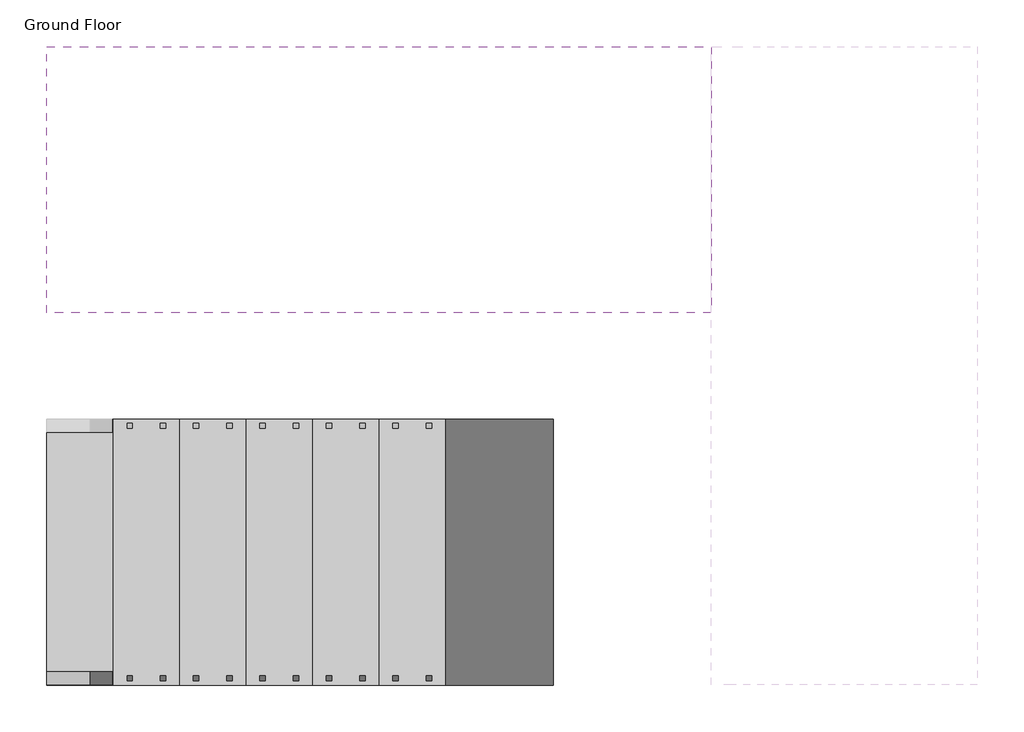
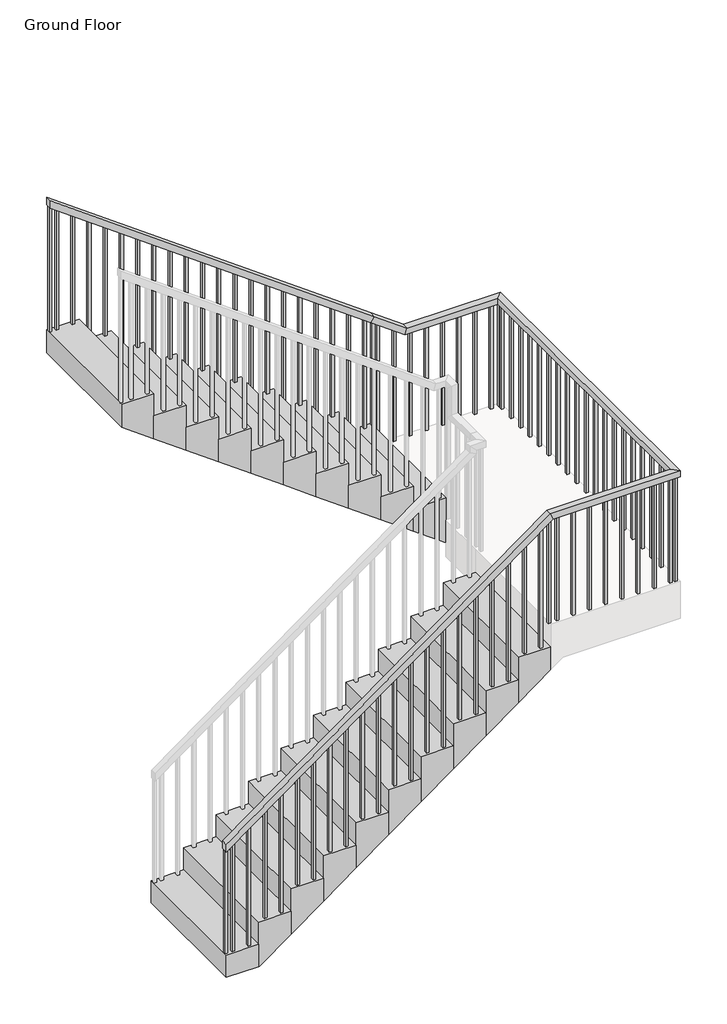
# One storey, part 1 of 2: 2 stair flights, 1 railing.
"""IFC4 building model written with IfcOpenShell, lengths in millimetres."""

import ifcopenshell
import ifcopenshell.guid

model = None  # the IFC model being written
_history = None  # IfcOwnerHistory: only IFC2X3 demands one
_inside = {}  # id of a spatial element -> (the spatial element, [elements in it])
_under = {}  # id of a project, library or spatial element -> (it, [spatial elements below it])
_declared = {}  # id of a project -> (the project, [libraries it declares])
_typed = {}  # id of a type object -> (the type object, [elements of that type])
_made_of = {}  # id of a material, layer set ... -> (it, [elements and type objects made of it])


def new_model(schema):
    """Start an empty IFC model of exactly this schema.

    Asked for "IFC4X3", IfcOpenShell would pick the latest addendum, in which some entities
    have other attributes; the version numbers below select the first issue.
    IFC2X3 requires an IfcOwnerHistory on every rooted entity: one is made here for all.
    """
    global model, _history
    if schema == "IFC4X3":
        model = ifcopenshell.file(schema_version=(4, 3, 0, 0))
    else:
        model = ifcopenshell.file(schema=schema)
    _inside.clear()
    _under.clear()
    _declared.clear()
    _typed.clear()
    _made_of.clear()
    _history = None
    if model.schema == "IFC2X3":
        org = make("IfcOrganization", Name="unknown")
        user = make(
            "IfcPersonAndOrganization",
            ThePerson=make("IfcPerson", FamilyName="unknown"),
            TheOrganization=org,
        )
        app = make(
            "IfcApplication",
            ApplicationDeveloper=org,
            Version="unknown",
            ApplicationFullName="unknown",
            ApplicationIdentifier="unknown",
        )
        _history = make(
            "IfcOwnerHistory",
            OwningUser=user,
            OwningApplication=app,
            ChangeAction="ADDED",
            CreationDate=0,
        )
    return model


def make(cls, **values):
    """One entity of the class cls with the attributes given. An attribute that is None is left unset."""
    return model.create_entity(
        cls, **{name: value for name, value in values.items() if value is not None}
    )


def rooted(cls, **values):
    """An entity with a GlobalId (a new one), such as an element, a storey or a relation."""
    return make(cls, GlobalId=ifcopenshell.guid.new(), OwnerHistory=_history, **values)


def si_unit(unit_type, name, prefix=None):
    """IfcSIUnit, for example si_unit("LENGTHUNIT", "METRE", prefix="MILLI")."""
    return make("IfcSIUnit", UnitType=unit_type, Prefix=prefix, Name=name)


def assignment(units):
    """IfcUnitAssignment: the units of a project."""
    return None if units is None else make("IfcUnitAssignment", Units=units)


def point(xyz):
    """IfcCartesianPoint."""
    return None if xyz is None else make("IfcCartesianPoint", Coordinates=xyz)


def direction(xyz):
    """IfcDirection."""
    return None if xyz is None else make("IfcDirection", DirectionRatios=xyz)


def frame(location, z_axis=None, x_axis=None):
    """IfcAxis2Placement3D, a coordinate frame: its origin and axes. An axis left out is left unset."""
    return make(
        "IfcAxis2Placement3D",
        Location=point(location),
        Axis=direction(z_axis),
        RefDirection=direction(x_axis),
    )


def origin():
    """The frame at (0, 0, 0) with its axes left unset."""
    return frame((0.0, 0.0, 0.0))


def place(relative_to, where):
    """IfcLocalPlacement: puts the frame where relative to a parent placement (None: the world)."""
    return make(
        "IfcLocalPlacement", PlacementRelTo=relative_to, RelativePlacement=where
    )


def context(
    kind, dimensions, precision=None, world=None, true_north=None, identifier=None
):
    """IfcGeometricRepresentationContext, for example the 3D "Model" context."""
    return make(
        "IfcGeometricRepresentationContext",
        ContextIdentifier=identifier,
        ContextType=kind,
        CoordinateSpaceDimension=dimensions,
        Precision=precision,
        WorldCoordinateSystem=world,
        TrueNorth=true_north,
    )


def project(units=None, contexts=None):
    """IfcProject with its units and contexts."""
    return rooted(
        "IfcProject",
        Name="project",
        RepresentationContexts=contexts,
        UnitsInContext=assignment(units),
    )


def spatial(cls, under=None, at=None, **own):
    """A site, building, storey or space (cls), placed at a placement, below another one or the project."""
    s = rooted(cls, ObjectPlacement=at, **own)
    if under is not None:
        _under.setdefault(under.id(), (under, []))[1].append(s)
    return s


def polyline(points):
    """IfcPolyline through the points."""
    return make("IfcPolyline", Points=[point(p) for p in points])


def outline(outer, holes=None, kind="AREA"):
    """IfcArbitraryClosedProfileDef: a profile drawn as a closed curve; with holes, ...WithVoids."""
    if holes is None:
        return make("IfcArbitraryClosedProfileDef", ProfileType=kind, OuterCurve=outer)
    return make(
        "IfcArbitraryProfileDefWithVoids",
        ProfileType=kind,
        OuterCurve=outer,
        InnerCurves=holes,
    )


def extrude(swept, where, along, depth):
    """IfcExtrudedAreaSolid: the profile swept, set in the frame where, extruded along a direction by depth."""
    return make(
        "IfcExtrudedAreaSolid",
        SweptArea=swept,
        Position=where,
        ExtrudedDirection=direction(along),
        Depth=depth,
    )


def faces_of(points, faces, orient=None, outer=None):
    """IfcFace entities. A face is a list of loops; a loop is a list of indices into points, from 0.

    orient and outer hold one flag for each loop. By default every Orientation is true, the
    first loop of a face is its IfcFaceOuterBound and the others are IfcFaceBound.
    """
    made = []
    for i, loops in enumerate(faces):
        bounds = []
        for j, loop in enumerate(loops):
            is_outer = j == 0 if outer is None else outer[i][j]
            bounds.append(
                make(
                    "IfcFaceOuterBound" if is_outer else "IfcFaceBound",
                    Bound=make("IfcPolyLoop", Polygon=[points[k] for k in loop]),
                    Orientation=True if orient is None else orient[i][j],
                )
            )
        made.append(make("IfcFace", Bounds=bounds))
    return made


def faceted_brep(points, faces, orient=None, outer=None, voids=None):
    """IfcFacetedBrep: a solid bounded by flat faces; with voids (closed shells), ...WithVoids."""
    shared = [point(p) for p in points]
    hull = make("IfcClosedShell", CfsFaces=faces_of(shared, faces, orient, outer))
    if voids is None:
        return make("IfcFacetedBrep", Outer=hull)
    return make(
        "IfcFacetedBrepWithVoids",
        Outer=hull,
        Voids=[
            make(cls, CfsFaces=faces_of(shared, fs, o, b)) for cls, fs, o, b in voids
        ],
    )


def shape(context_of_items, identifier, shape_type, items):
    """IfcShapeRepresentation: the items that make up one representation, for example the "Body"."""
    return make(
        "IfcShapeRepresentation",
        ContextOfItems=context_of_items,
        RepresentationIdentifier=identifier,
        RepresentationType=shape_type,
        Items=items,
    )


def made_of(thing, what):
    """Note that an element or type object is made of a material, layer set ...; save() writes the relation."""
    if what is not None:
        _made_of.setdefault(what.id(), (what, []))[1].append(thing)
    return thing


def element(
    cls,
    number,
    at=None,
    inside=None,
    cuts=None,
    type_object=None,
    material=None,
    context=None,
    identifier="Body",
    shape_type=None,
    held_by="IfcProductDefinitionShape",
    body=None,
    shapes=None,
    **own,
):
    """One element of the class cls, such as IfcWall. Its Tag is "e" and its number.

    at: its placement. inside: the storey or other place that contains it. cuts: it is an
    opening in that element (IfcRelVoidsElement). A single representation is given by context,
    identifier, shape_type and body (its items); several are given by shapes. held_by: the class
    of the entity that holds the representations. save() writes the other relations.
    """
    e = rooted(cls, Tag="e%d" % number, ObjectPlacement=at, **own)
    if body is not None:
        shapes = [shape(context, identifier, shape_type, body)]
    if shapes is not None:
        e.Representation = make(held_by, Representations=shapes)
    if inside is not None:
        _inside.setdefault(inside.id(), (inside, []))[1].append(e)
    if cuts is not None:
        rooted(
            "IfcRelVoidsElement", RelatingBuildingElement=cuts, RelatedOpeningElement=e
        )
    if type_object is not None:
        _typed.setdefault(type_object.id(), (type_object, []))[1].append(e)
    return made_of(e, material)


def aggregate(whole, parts):
    """IfcRelAggregates: a whole, such as a stair, and the parts it consists of."""
    return rooted("IfcRelAggregates", RelatingObject=whole, RelatedObjects=parts)


def save(model, path):
    """Write the relations noted so far, then the file.

    IfcRelAggregates (storeys below a building ...), IfcRelContainedInSpatialStructure (elements
    in a storey), IfcRelDefinesByType, IfcRelAssociatesMaterial and IfcRelDeclares: one each for
    every whole, place, type object, material and project.
    """
    for whole, parts in _under.values():
        aggregate(whole, parts)
    for where, things in _inside.values():
        rooted(
            "IfcRelContainedInSpatialStructure",
            RelatedElements=things,
            RelatingStructure=where,
        )
    for kind, things in _typed.values():
        rooted("IfcRelDefinesByType", RelatedObjects=things, RelatingType=kind)
    for what, things in _made_of.values():
        rooted("IfcRelAssociatesMaterial", RelatedObjects=things, RelatingMaterial=what)
    for by, libraries in _declared.values():
        rooted("IfcRelDeclares", RelatingContext=by, RelatedDefinitions=libraries)
    model.write(path)


model = new_model("IFC4")

# Units and contexts
model_context = context("Model", 3, world=origin())
ifc_project = project(units=[si_unit("LENGTHUNIT", "METRE", prefix="MILLI")], contexts=[model_context])

# Site, building, storey
site = spatial("IfcSite", under=ifc_project)
building = spatial("IfcBuilding", under=site)
storey = spatial("IfcBuildingStorey", under=building, Name="Ground Floor", Elevation=0.0)

# Railing
placement = place(None, origin())
element("IfcRailing", 1, ObjectType="900mm", at=placement, inside=storey, context=model_context, shape_type="SolidModel", body=[
    faceted_brep([(-5015.7705713, 1934.7919433, 1081.8181818), (-5015.7705713, 1934.7919433, 1019.9933159), (-5015.7705713, 1884.7919433, 1019.9933159), (-5015.7705713, 1884.7919433, 1081.8181818), (-2515.7705713, 1934.7919433, 2900.0), (-2499.5113806, 1934.7919433, 2850.0), (-2499.5113806, 1884.7919433, 2850.0), (-2515.7705713, 1884.7919433, 2900.0), (-1566.1705713, 1934.7919433, 2900.0), (-1566.1705713, 1934.7919433, 2850.0), (-1516.1705713, 1884.7919433, 2850.0), (-1516.1705713, 1884.7919433, 2900.0), (-1566.1705713, 4233.9919433, 2900.0), (-1566.1705713, 4233.9919433, 2850.0), (-1516.1705713, 4283.9919433, 2850.0), (-1516.1705713, 4283.9919433, 2900.0), (-2265.7705713, 4233.9919433, 2900.0), (-2282.029762, 4233.9919433, 2850.0), (-2282.029762, 4283.9919433, 2850.0), (-2265.7705713, 4283.9919433, 2900.0), (-2515.7705713, 4233.9919433, 3081.8181818), (-2545.1791562, 4233.9919433, 3041.3813776), (-2545.1791562, 4283.9919433, 3041.3813776), (-2515.7705713, 4283.9919433, 3081.8181818), (-5015.7705713, 4233.9919433, 4900.0), (-5015.7705713, 4283.9919433, 4900.0), (-5015.7705713, 4283.9919433, 4838.1751341), (-5015.7705713, 4233.9919433, 4838.1751341)], [[[0, 1, 2, 3]], [[1, 0, 4, 5]], [[2, 1, 5, 6]], [[3, 2, 6, 7]], [[0, 3, 7, 4]], [[5, 4, 8, 9]], [[6, 5, 9, 10]], [[7, 6, 10, 11]], [[4, 7, 11, 8]], [[9, 8, 12, 13]], [[10, 9, 13, 14]], [[11, 10, 14, 15]], [[8, 11, 15, 12]], [[13, 12, 16, 17]], [[14, 13, 17, 18]], [[15, 14, 18, 19]], [[12, 15, 19, 16]], [[17, 16, 20, 21]], [[18, 17, 21, 22]], [[19, 18, 22, 23]], [[16, 19, 23, 20]], [[24, 25, 26, 27]], [[21, 20, 24, 27]], [[22, 21, 27, 26]], [[23, 22, 26, 25]], [[20, 23, 25, 24]]]),
    extrude(outline(polyline([(3818.1818182, -4943.2705713), (4785.4478613, -4943.2705713), (4799.9933159, -4963.2705713), (3818.1818182, -4963.2705713), (3818.1818182, -4943.2705713)])), frame((0.0, 4248.9919433, 0.0), z_axis=(0.0, 1.0, 0.0), x_axis=(0.0, 0.0, 1.0)), (0.0, 0.0, 1.0), 20.0),
    extrude(outline(polyline([(3818.1818182, -4818.2705713), (4694.5387704, -4818.2705713), (4709.084225, -4838.2705713), (3818.1818182, -4838.2705713), (3818.1818182, -4818.2705713)])), frame((0.0, 4248.9919433, 0.0), z_axis=(0.0, 1.0, 0.0), x_axis=(0.0, 0.0, 1.0)), (0.0, 0.0, 1.0), 20.0),
    extrude(outline(polyline([(3636.3636364, -4693.2705713), (4603.6296795, -4693.2705713), (4618.1751341, -4713.2705713), (3636.3636364, -4713.2705713), (3636.3636364, -4693.2705713)])), frame((0.0, 4248.9919433, 0.0), z_axis=(0.0, 1.0, 0.0), x_axis=(0.0, 0.0, 1.0)), (0.0, 0.0, 1.0), 20.0),
    extrude(outline(polyline([(3636.3636364, -4568.2705713), (4512.7205886, -4568.2705713), (4527.2660431, -4588.2705713), (3636.3636364, -4588.2705713), (3636.3636364, -4568.2705713)])), frame((0.0, 4248.9919433, 0.0), z_axis=(0.0, 1.0, 0.0), x_axis=(0.0, 0.0, 1.0)), (0.0, 0.0, 1.0), 20.0),
    extrude(outline(polyline([(3454.5454545, -4443.2705713), (4421.8114977, -4443.2705713), (4436.3569522, -4463.2705713), (3454.5454545, -4463.2705713), (3454.5454545, -4443.2705713)])), frame((0.0, 4248.9919433, 0.0), z_axis=(0.0, 1.0, 0.0), x_axis=(0.0, 0.0, 1.0)), (0.0, 0.0, 1.0), 20.0),
    extrude(outline(polyline([(3454.5454545, -4318.2705713), (4330.9024068, -4318.2705713), (4345.4478613, -4338.2705713), (3454.5454545, -4338.2705713), (3454.5454545, -4318.2705713)])), frame((0.0, 4248.9919433, 0.0), z_axis=(0.0, 1.0, 0.0), x_axis=(0.0, 0.0, 1.0)), (0.0, 0.0, 1.0), 20.0),
    extrude(outline(polyline([(3272.7272727, -4193.2705713), (4239.9933159, -4193.2705713), (4254.5387704, -4213.2705713), (3272.7272727, -4213.2705713), (3272.7272727, -4193.2705713)])), frame((0.0, 4248.9919433, 0.0), z_axis=(0.0, 1.0, 0.0), x_axis=(0.0, 0.0, 1.0)), (0.0, 0.0, 1.0), 20.0),
    extrude(outline(polyline([(3272.7272727, -4068.2705713), (4149.084225, -4068.2705713), (4163.6296795, -4088.2705713), (3272.7272727, -4088.2705713), (3272.7272727, -4068.2705713)])), frame((0.0, 4248.9919433, 0.0), z_axis=(0.0, 1.0, 0.0), x_axis=(0.0, 0.0, 1.0)), (0.0, 0.0, 1.0), 20.0),
    extrude(outline(polyline([(3090.9090909, -3943.2705713), (4058.1751341, -3943.2705713), (4072.7205886, -3963.2705713), (3090.9090909, -3963.2705713), (3090.9090909, -3943.2705713)])), frame((0.0, 4248.9919433, 0.0), z_axis=(0.0, 1.0, 0.0), x_axis=(0.0, 0.0, 1.0)), (0.0, 0.0, 1.0), 20.0),
    extrude(outline(polyline([(3090.9090909, -3818.2705713), (3967.2660431, -3818.2705713), (3981.8114977, -3838.2705713), (3090.9090909, -3838.2705713), (3090.9090909, -3818.2705713)])), frame((0.0, 4248.9919433, 0.0), z_axis=(0.0, 1.0, 0.0), x_axis=(0.0, 0.0, 1.0)), (0.0, 0.0, 1.0), 20.0),
    extrude(outline(polyline([(2909.0909091, -3693.2705713), (3876.3569522, -3693.2705713), (3890.9024068, -3713.2705713), (2909.0909091, -3713.2705713), (2909.0909091, -3693.2705713)])), frame((0.0, 4248.9919433, 0.0), z_axis=(0.0, 1.0, 0.0), x_axis=(0.0, 0.0, 1.0)), (0.0, 0.0, 1.0), 20.0),
    extrude(outline(polyline([(2909.0909091, -3568.2705713), (3785.4478613, -3568.2705713), (3799.9933159, -3588.2705713), (2909.0909091, -3588.2705713), (2909.0909091, -3568.2705713)])), frame((0.0, 4248.9919433, 0.0), z_axis=(0.0, 1.0, 0.0), x_axis=(0.0, 0.0, 1.0)), (0.0, 0.0, 1.0), 20.0),
    extrude(outline(polyline([(2727.2727273, -3443.2705713), (3694.5387704, -3443.2705713), (3709.084225, -3463.2705713), (2727.2727273, -3463.2705713), (2727.2727273, -3443.2705713)])), frame((0.0, 4248.9919433, 0.0), z_axis=(0.0, 1.0, 0.0), x_axis=(0.0, 0.0, 1.0)), (0.0, 0.0, 1.0), 20.0),
    extrude(outline(polyline([(2727.2727273, -3318.2705713), (3603.6296795, -3318.2705713), (3618.1751341, -3338.2705713), (2727.2727273, -3338.2705713), (2727.2727273, -3318.2705713)])), frame((0.0, 4248.9919433, 0.0), z_axis=(0.0, 1.0, 0.0), x_axis=(0.0, 0.0, 1.0)), (0.0, 0.0, 1.0), 20.0),
    extrude(outline(polyline([(2545.4545455, -3193.2705713), (3512.7205886, -3193.2705713), (3527.2660431, -3213.2705713), (2545.4545455, -3213.2705713), (2545.4545455, -3193.2705713)])), frame((0.0, 4248.9919433, 0.0), z_axis=(0.0, 1.0, 0.0), x_axis=(0.0, 0.0, 1.0)), (0.0, 0.0, 1.0), 20.0),
    extrude(outline(polyline([(2545.4545455, -3068.2705713), (3421.8114977, -3068.2705713), (3436.3569522, -3088.2705713), (2545.4545455, -3088.2705713), (2545.4545455, -3068.2705713)])), frame((0.0, 4248.9919433, 0.0), z_axis=(0.0, 1.0, 0.0), x_axis=(0.0, 0.0, 1.0)), (0.0, 0.0, 1.0), 20.0),
    extrude(outline(polyline([(2363.6363636, -2943.2705713), (3330.9024068, -2943.2705713), (3345.4478613, -2963.2705713), (2363.6363636, -2963.2705713), (2363.6363636, -2943.2705713)])), frame((0.0, 4248.9919433, 0.0), z_axis=(0.0, 1.0, 0.0), x_axis=(0.0, 0.0, 1.0)), (0.0, 0.0, 1.0), 20.0),
    extrude(outline(polyline([(2363.6363636, -2818.2705713), (3239.9933159, -2818.2705713), (3254.5387704, -2838.2705713), (2363.6363636, -2838.2705713), (2363.6363636, -2818.2705713)])), frame((0.0, 4248.9919433, 0.0), z_axis=(0.0, 1.0, 0.0), x_axis=(0.0, 0.0, 1.0)), (0.0, 0.0, 1.0), 20.0),
    extrude(outline(polyline([(2181.8181818, -2693.2705713), (3149.084225, -2693.2705713), (3163.6296795, -2713.2705713), (2181.8181818, -2713.2705713), (2181.8181818, -2693.2705713)])), frame((0.0, 4248.9919433, 0.0), z_axis=(0.0, 1.0, 0.0), x_axis=(0.0, 0.0, 1.0)), (0.0, 0.0, 1.0), 20.0),
    extrude(outline(polyline([(2181.8181818, -2568.2705713), (3058.1751341, -2568.2705713), (3072.7205886, -2588.2705713), (2181.8181818, -2588.2705713), (2181.8181818, -2568.2705713)])), frame((0.0, 4248.9919433, 0.0), z_axis=(0.0, 1.0, 0.0), x_axis=(0.0, 0.0, 1.0)), (0.0, 0.0, 1.0), 20.0),
    extrude(outline(polyline([(2000.0, -2468.6705713), (2985.7387704, -2468.6705713), (3000.284225, -2488.6705713), (2000.0, -2488.6705713), (2000.0, -2468.6705713)])), frame((0.0, 4248.9919433, 0.0), z_axis=(0.0, 1.0, 0.0), x_axis=(0.0, 0.0, 1.0)), (0.0, 0.0, 1.0), 20.0),
    extrude(outline(polyline([(2000.0, -2343.6705713), (2894.8296795, -2343.6705713), (2909.3751341, -2363.6705713), (2000.0, -2363.6705713), (2000.0, -2343.6705713)])), frame((0.0, 4248.9919433, 0.0), z_axis=(0.0, 1.0, 0.0), x_axis=(0.0, 0.0, 1.0)), (0.0, 0.0, 1.0), 20.0),
    extrude(outline(polyline([(-2218.6705713, 4268.9919433), (-2218.6705713, 4248.9919433), (-2238.6705713, 4248.9919433), (-2238.6705713, 4268.9919433), (-2218.6705713, 4268.9919433)])), frame((0.0, 0.0, 2000.0), z_axis=(0.0, 0.0, 1.0), x_axis=(1.0, 0.0, 0.0)), (0.0, 0.0, 1.0), 850.0),
    extrude(outline(polyline([(-2093.6705713, 4268.9919433), (-2093.6705713, 4248.9919433), (-2113.6705713, 4248.9919433), (-2113.6705713, 4268.9919433), (-2093.6705713, 4268.9919433)])), frame((0.0, 0.0, 2000.0), z_axis=(0.0, 0.0, 1.0), x_axis=(1.0, 0.0, 0.0)), (0.0, 0.0, 1.0), 850.0),
    extrude(outline(polyline([(-1968.6705713, 4268.9919433), (-1968.6705713, 4248.9919433), (-1988.6705713, 4248.9919433), (-1988.6705713, 4268.9919433), (-1968.6705713, 4268.9919433)])), frame((0.0, 0.0, 2000.0), z_axis=(0.0, 0.0, 1.0), x_axis=(1.0, 0.0, 0.0)), (0.0, 0.0, 1.0), 850.0),
    extrude(outline(polyline([(-1843.6705713, 4268.9919433), (-1843.6705713, 4248.9919433), (-1863.6705713, 4248.9919433), (-1863.6705713, 4268.9919433), (-1843.6705713, 4268.9919433)])), frame((0.0, 0.0, 2000.0), z_axis=(0.0, 0.0, 1.0), x_axis=(1.0, 0.0, 0.0)), (0.0, 0.0, 1.0), 850.0),
    extrude(outline(polyline([(-1718.6705713, 4268.9919433), (-1718.6705713, 4248.9919433), (-1738.6705713, 4248.9919433), (-1738.6705713, 4268.9919433), (-1718.6705713, 4268.9919433)])), frame((0.0, 0.0, 2000.0), z_axis=(0.0, 0.0, 1.0), x_axis=(1.0, 0.0, 0.0)), (0.0, 0.0, 1.0), 850.0),
    extrude(outline(polyline([(-1593.6705713, 4268.9919433), (-1593.6705713, 4248.9919433), (-1613.6705713, 4248.9919433), (-1613.6705713, 4268.9919433), (-1593.6705713, 4268.9919433)])), frame((0.0, 0.0, 2000.0), z_axis=(0.0, 0.0, 1.0), x_axis=(1.0, 0.0, 0.0)), (0.0, 0.0, 1.0), 850.0),
    extrude(outline(polyline([(-1531.1705713, 4212.2919433), (-1551.1705713, 4212.2919433), (-1551.1705713, 4232.2919433), (-1531.1705713, 4232.2919433), (-1531.1705713, 4212.2919433)])), frame((0.0, 0.0, 2000.0), z_axis=(0.0, 0.0, 1.0), x_axis=(1.0, 0.0, 0.0)), (0.0, 0.0, 1.0), 850.0),
    extrude(outline(polyline([(-1531.1705713, 4087.2919433), (-1551.1705713, 4087.2919433), (-1551.1705713, 4107.2919433), (-1531.1705713, 4107.2919433), (-1531.1705713, 4087.2919433)])), frame((0.0, 0.0, 2000.0), z_axis=(0.0, 0.0, 1.0), x_axis=(1.0, 0.0, 0.0)), (0.0, 0.0, 1.0), 850.0),
    extrude(outline(polyline([(-1531.1705713, 3962.2919433), (-1551.1705713, 3962.2919433), (-1551.1705713, 3982.2919433), (-1531.1705713, 3982.2919433), (-1531.1705713, 3962.2919433)])), frame((0.0, 0.0, 2000.0), z_axis=(0.0, 0.0, 1.0), x_axis=(1.0, 0.0, 0.0)), (0.0, 0.0, 1.0), 850.0),
    extrude(outline(polyline([(-1531.1705713, 3837.2919433), (-1551.1705713, 3837.2919433), (-1551.1705713, 3857.2919433), (-1531.1705713, 3857.2919433), (-1531.1705713, 3837.2919433)])), frame((0.0, 0.0, 2000.0), z_axis=(0.0, 0.0, 1.0), x_axis=(1.0, 0.0, 0.0)), (0.0, 0.0, 1.0), 850.0),
    extrude(outline(polyline([(-1531.1705713, 3712.2919433), (-1551.1705713, 3712.2919433), (-1551.1705713, 3732.2919433), (-1531.1705713, 3732.2919433), (-1531.1705713, 3712.2919433)])), frame((0.0, 0.0, 2000.0), z_axis=(0.0, 0.0, 1.0), x_axis=(1.0, 0.0, 0.0)), (0.0, 0.0, 1.0), 850.0),
    extrude(outline(polyline([(-1531.1705713, 3587.2919433), (-1551.1705713, 3587.2919433), (-1551.1705713, 3607.2919433), (-1531.1705713, 3607.2919433), (-1531.1705713, 3587.2919433)])), frame((0.0, 0.0, 2000.0), z_axis=(0.0, 0.0, 1.0), x_axis=(1.0, 0.0, 0.0)), (0.0, 0.0, 1.0), 850.0),
    extrude(outline(polyline([(-1531.1705713, 3462.2919433), (-1551.1705713, 3462.2919433), (-1551.1705713, 3482.2919433), (-1531.1705713, 3482.2919433), (-1531.1705713, 3462.2919433)])), frame((0.0, 0.0, 2000.0), z_axis=(0.0, 0.0, 1.0), x_axis=(1.0, 0.0, 0.0)), (0.0, 0.0, 1.0), 850.0),
    extrude(outline(polyline([(-1531.1705713, 3337.2919433), (-1551.1705713, 3337.2919433), (-1551.1705713, 3357.2919433), (-1531.1705713, 3357.2919433), (-1531.1705713, 3337.2919433)])), frame((0.0, 0.0, 2000.0), z_axis=(0.0, 0.0, 1.0), x_axis=(1.0, 0.0, 0.0)), (0.0, 0.0, 1.0), 850.0),
    extrude(outline(polyline([(-1531.1705713, 3212.2919433), (-1551.1705713, 3212.2919433), (-1551.1705713, 3232.2919433), (-1531.1705713, 3232.2919433), (-1531.1705713, 3212.2919433)])), frame((0.0, 0.0, 2000.0), z_axis=(0.0, 0.0, 1.0), x_axis=(1.0, 0.0, 0.0)), (0.0, 0.0, 1.0), 850.0),
    extrude(outline(polyline([(-1531.1705713, 3087.2919433), (-1551.1705713, 3087.2919433), (-1551.1705713, 3107.2919433), (-1531.1705713, 3107.2919433), (-1531.1705713, 3087.2919433)])), frame((0.0, 0.0, 2000.0), z_axis=(0.0, 0.0, 1.0), x_axis=(1.0, 0.0, 0.0)), (0.0, 0.0, 1.0), 850.0),
    extrude(outline(polyline([(-1531.1705713, 2962.2919433), (-1551.1705713, 2962.2919433), (-1551.1705713, 2982.2919433), (-1531.1705713, 2982.2919433), (-1531.1705713, 2962.2919433)])), frame((0.0, 0.0, 2000.0), z_axis=(0.0, 0.0, 1.0), x_axis=(1.0, 0.0, 0.0)), (0.0, 0.0, 1.0), 850.0),
    extrude(outline(polyline([(-1531.1705713, 2837.2919433), (-1551.1705713, 2837.2919433), (-1551.1705713, 2857.2919433), (-1531.1705713, 2857.2919433), (-1531.1705713, 2837.2919433)])), frame((0.0, 0.0, 2000.0), z_axis=(0.0, 0.0, 1.0), x_axis=(1.0, 0.0, 0.0)), (0.0, 0.0, 1.0), 850.0),
    extrude(outline(polyline([(-1531.1705713, 2712.2919433), (-1551.1705713, 2712.2919433), (-1551.1705713, 2732.2919433), (-1531.1705713, 2732.2919433), (-1531.1705713, 2712.2919433)])), frame((0.0, 0.0, 2000.0), z_axis=(0.0, 0.0, 1.0), x_axis=(1.0, 0.0, 0.0)), (0.0, 0.0, 1.0), 850.0),
    extrude(outline(polyline([(-1531.1705713, 2587.2919433), (-1551.1705713, 2587.2919433), (-1551.1705713, 2607.2919433), (-1531.1705713, 2607.2919433), (-1531.1705713, 2587.2919433)])), frame((0.0, 0.0, 2000.0), z_axis=(0.0, 0.0, 1.0), x_axis=(1.0, 0.0, 0.0)), (0.0, 0.0, 1.0), 850.0),
    extrude(outline(polyline([(-1531.1705713, 2462.2919433), (-1551.1705713, 2462.2919433), (-1551.1705713, 2482.2919433), (-1531.1705713, 2482.2919433), (-1531.1705713, 2462.2919433)])), frame((0.0, 0.0, 2000.0), z_axis=(0.0, 0.0, 1.0), x_axis=(1.0, 0.0, 0.0)), (0.0, 0.0, 1.0), 850.0),
    extrude(outline(polyline([(-1531.1705713, 2337.2919433), (-1551.1705713, 2337.2919433), (-1551.1705713, 2357.2919433), (-1531.1705713, 2357.2919433), (-1531.1705713, 2337.2919433)])), frame((0.0, 0.0, 2000.0), z_axis=(0.0, 0.0, 1.0), x_axis=(1.0, 0.0, 0.0)), (0.0, 0.0, 1.0), 850.0),
    extrude(outline(polyline([(-1531.1705713, 2212.2919433), (-1551.1705713, 2212.2919433), (-1551.1705713, 2232.2919433), (-1531.1705713, 2232.2919433), (-1531.1705713, 2212.2919433)])), frame((0.0, 0.0, 2000.0), z_axis=(0.0, 0.0, 1.0), x_axis=(1.0, 0.0, 0.0)), (0.0, 0.0, 1.0), 850.0),
    extrude(outline(polyline([(-1531.1705713, 2087.2919433), (-1551.1705713, 2087.2919433), (-1551.1705713, 2107.2919433), (-1531.1705713, 2107.2919433), (-1531.1705713, 2087.2919433)])), frame((0.0, 0.0, 2000.0), z_axis=(0.0, 0.0, 1.0), x_axis=(1.0, 0.0, 0.0)), (0.0, 0.0, 1.0), 850.0),
    extrude(outline(polyline([(-1531.1705713, 1962.2919433), (-1551.1705713, 1962.2919433), (-1551.1705713, 1982.2919433), (-1531.1705713, 1982.2919433), (-1531.1705713, 1962.2919433)])), frame((0.0, 0.0, 2000.0), z_axis=(0.0, 0.0, 1.0), x_axis=(1.0, 0.0, 0.0)), (0.0, 0.0, 1.0), 850.0),
    extrude(outline(polyline([(-1588.2705713, 1899.7919433), (-1588.2705713, 1919.7919433), (-1568.2705713, 1919.7919433), (-1568.2705713, 1899.7919433), (-1588.2705713, 1899.7919433)])), frame((0.0, 0.0, 2000.0), z_axis=(0.0, 0.0, 1.0), x_axis=(1.0, 0.0, 0.0)), (0.0, 0.0, 1.0), 850.0),
    extrude(outline(polyline([(-1713.2705713, 1899.7919433), (-1713.2705713, 1919.7919433), (-1693.2705713, 1919.7919433), (-1693.2705713, 1899.7919433), (-1713.2705713, 1899.7919433)])), frame((0.0, 0.0, 2000.0), z_axis=(0.0, 0.0, 1.0), x_axis=(1.0, 0.0, 0.0)), (0.0, 0.0, 1.0), 850.0),
    extrude(outline(polyline([(-1838.2705713, 1899.7919433), (-1838.2705713, 1919.7919433), (-1818.2705713, 1919.7919433), (-1818.2705713, 1899.7919433), (-1838.2705713, 1899.7919433)])), frame((0.0, 0.0, 2000.0), z_axis=(0.0, 0.0, 1.0), x_axis=(1.0, 0.0, 0.0)), (0.0, 0.0, 1.0), 850.0),
    extrude(outline(polyline([(-1963.2705713, 1899.7919433), (-1963.2705713, 1919.7919433), (-1943.2705713, 1919.7919433), (-1943.2705713, 1899.7919433), (-1963.2705713, 1899.7919433)])), frame((0.0, 0.0, 2000.0), z_axis=(0.0, 0.0, 1.0), x_axis=(1.0, 0.0, 0.0)), (0.0, 0.0, 1.0), 850.0),
    extrude(outline(polyline([(-2088.2705713, 1899.7919433), (-2088.2705713, 1919.7919433), (-2068.2705713, 1919.7919433), (-2068.2705713, 1899.7919433), (-2088.2705713, 1899.7919433)])), frame((0.0, 0.0, 2000.0), z_axis=(0.0, 0.0, 1.0), x_axis=(1.0, 0.0, 0.0)), (0.0, 0.0, 1.0), 850.0),
    extrude(outline(polyline([(-2213.2705713, 1899.7919433), (-2213.2705713, 1919.7919433), (-2193.2705713, 1919.7919433), (-2193.2705713, 1899.7919433), (-2213.2705713, 1899.7919433)])), frame((0.0, 0.0, 2000.0), z_axis=(0.0, 0.0, 1.0), x_axis=(1.0, 0.0, 0.0)), (0.0, 0.0, 1.0), 850.0),
    extrude(outline(polyline([(-2338.2705713, 1899.7919433), (-2338.2705713, 1919.7919433), (-2318.2705713, 1919.7919433), (-2318.2705713, 1899.7919433), (-2338.2705713, 1899.7919433)])), frame((0.0, 0.0, 2000.0), z_axis=(0.0, 0.0, 1.0), x_axis=(1.0, 0.0, 0.0)), (0.0, 0.0, 1.0), 850.0),
    extrude(outline(polyline([(-2463.2705713, 1899.7919433), (-2463.2705713, 1919.7919433), (-2443.2705713, 1919.7919433), (-2443.2705713, 1899.7919433), (-2463.2705713, 1899.7919433)])), frame((0.0, 0.0, 2000.0), z_axis=(0.0, 0.0, 1.0), x_axis=(1.0, 0.0, 0.0)), (0.0, 0.0, 1.0), 850.0),
    extrude(outline(polyline([(2785.4478613, -2588.2705713), (1818.1818182, -2588.2705713), (1818.1818182, -2568.2705713), (2799.9933159, -2568.2705713), (2785.4478613, -2588.2705713)])), frame((0.0, 1899.7919433, 0.0), z_axis=(0.0, 1.0, 0.0), x_axis=(0.0, 0.0, 1.0)), (0.0, 0.0, 1.0), 20.0),
    extrude(outline(polyline([(2694.5387704, -2713.2705713), (1818.1818182, -2713.2705713), (1818.1818182, -2693.2705713), (2709.084225, -2693.2705713), (2694.5387704, -2713.2705713)])), frame((0.0, 1899.7919433, 0.0), z_axis=(0.0, 1.0, 0.0), x_axis=(0.0, 0.0, 1.0)), (0.0, 0.0, 1.0), 20.0),
    extrude(outline(polyline([(2603.6296795, -2838.2705713), (1636.3636364, -2838.2705713), (1636.3636364, -2818.2705713), (2618.1751341, -2818.2705713), (2603.6296795, -2838.2705713)])), frame((0.0, 1899.7919433, 0.0), z_axis=(0.0, 1.0, 0.0), x_axis=(0.0, 0.0, 1.0)), (0.0, 0.0, 1.0), 20.0),
    extrude(outline(polyline([(2512.7205886, -2963.2705713), (1636.3636364, -2963.2705713), (1636.3636364, -2943.2705713), (2527.2660431, -2943.2705713), (2512.7205886, -2963.2705713)])), frame((0.0, 1899.7919433, 0.0), z_axis=(0.0, 1.0, 0.0), x_axis=(0.0, 0.0, 1.0)), (0.0, 0.0, 1.0), 20.0),
    extrude(outline(polyline([(2421.8114977, -3088.2705713), (1454.5454545, -3088.2705713), (1454.5454545, -3068.2705713), (2436.3569522, -3068.2705713), (2421.8114977, -3088.2705713)])), frame((0.0, 1899.7919433, 0.0), z_axis=(0.0, 1.0, 0.0), x_axis=(0.0, 0.0, 1.0)), (0.0, 0.0, 1.0), 20.0),
    extrude(outline(polyline([(2330.9024068, -3213.2705713), (1454.5454545, -3213.2705713), (1454.5454545, -3193.2705713), (2345.4478613, -3193.2705713), (2330.9024068, -3213.2705713)])), frame((0.0, 1899.7919433, 0.0), z_axis=(0.0, 1.0, 0.0), x_axis=(0.0, 0.0, 1.0)), (0.0, 0.0, 1.0), 20.0),
    extrude(outline(polyline([(2239.9933159, -3338.2705713), (1272.7272727, -3338.2705713), (1272.7272727, -3318.2705713), (2254.5387704, -3318.2705713), (2239.9933159, -3338.2705713)])), frame((0.0, 1899.7919433, 0.0), z_axis=(0.0, 1.0, 0.0), x_axis=(0.0, 0.0, 1.0)), (0.0, 0.0, 1.0), 20.0),
    extrude(outline(polyline([(2149.084225, -3463.2705713), (1272.7272727, -3463.2705713), (1272.7272727, -3443.2705713), (2163.6296795, -3443.2705713), (2149.084225, -3463.2705713)])), frame((0.0, 1899.7919433, 0.0), z_axis=(0.0, 1.0, 0.0), x_axis=(0.0, 0.0, 1.0)), (0.0, 0.0, 1.0), 20.0),
    extrude(outline(polyline([(2058.1751341, -3588.2705713), (1090.9090909, -3588.2705713), (1090.9090909, -3568.2705713), (2072.7205886, -3568.2705713), (2058.1751341, -3588.2705713)])), frame((0.0, 1899.7919433, 0.0), z_axis=(0.0, 1.0, 0.0), x_axis=(0.0, 0.0, 1.0)), (0.0, 0.0, 1.0), 20.0),
    extrude(outline(polyline([(1967.2660431, -3713.2705713), (1090.9090909, -3713.2705713), (1090.9090909, -3693.2705713), (1981.8114977, -3693.2705713), (1967.2660431, -3713.2705713)])), frame((0.0, 1899.7919433, 0.0), z_axis=(0.0, 1.0, 0.0), x_axis=(0.0, 0.0, 1.0)), (0.0, 0.0, 1.0), 20.0),
    extrude(outline(polyline([(1876.3569522, -3838.2705713), (909.0909091, -3838.2705713), (909.0909091, -3818.2705713), (1890.9024068, -3818.2705713), (1876.3569522, -3838.2705713)])), frame((0.0, 1899.7919433, 0.0), z_axis=(0.0, 1.0, 0.0), x_axis=(0.0, 0.0, 1.0)), (0.0, 0.0, 1.0), 20.0),
    extrude(outline(polyline([(1785.4478613, -3963.2705713), (909.0909091, -3963.2705713), (909.0909091, -3943.2705713), (1799.9933159, -3943.2705713), (1785.4478613, -3963.2705713)])), frame((0.0, 1899.7919433, 0.0), z_axis=(0.0, 1.0, 0.0), x_axis=(0.0, 0.0, 1.0)), (0.0, 0.0, 1.0), 20.0),
    extrude(outline(polyline([(1694.5387704, -4088.2705713), (727.2727273, -4088.2705713), (727.2727273, -4068.2705713), (1709.084225, -4068.2705713), (1694.5387704, -4088.2705713)])), frame((0.0, 1899.7919433, 0.0), z_axis=(0.0, 1.0, 0.0), x_axis=(0.0, 0.0, 1.0)), (0.0, 0.0, 1.0), 20.0),
    extrude(outline(polyline([(1603.6296795, -4213.2705713), (727.2727273, -4213.2705713), (727.2727273, -4193.2705713), (1618.1751341, -4193.2705713), (1603.6296795, -4213.2705713)])), frame((0.0, 1899.7919433, 0.0), z_axis=(0.0, 1.0, 0.0), x_axis=(0.0, 0.0, 1.0)), (0.0, 0.0, 1.0), 20.0),
    extrude(outline(polyline([(1512.7205886, -4338.2705713), (545.4545455, -4338.2705713), (545.4545455, -4318.2705713), (1527.2660431, -4318.2705713), (1512.7205886, -4338.2705713)])), frame((0.0, 1899.7919433, 0.0), z_axis=(0.0, 1.0, 0.0), x_axis=(0.0, 0.0, 1.0)), (0.0, 0.0, 1.0), 20.0),
    extrude(outline(polyline([(1421.8114977, -4463.2705713), (545.4545455, -4463.2705713), (545.4545455, -4443.2705713), (1436.3569522, -4443.2705713), (1421.8114977, -4463.2705713)])), frame((0.0, 1899.7919433, 0.0), z_axis=(0.0, 1.0, 0.0), x_axis=(0.0, 0.0, 1.0)), (0.0, 0.0, 1.0), 20.0),
    extrude(outline(polyline([(1330.9024068, -4588.2705713), (363.6363636, -4588.2705713), (363.6363636, -4568.2705713), (1345.4478613, -4568.2705713), (1330.9024068, -4588.2705713)])), frame((0.0, 1899.7919433, 0.0), z_axis=(0.0, 1.0, 0.0), x_axis=(0.0, 0.0, 1.0)), (0.0, 0.0, 1.0), 20.0),
    extrude(outline(polyline([(1239.9933159, -4713.2705713), (363.6363636, -4713.2705713), (363.6363636, -4693.2705713), (1254.5387704, -4693.2705713), (1239.9933159, -4713.2705713)])), frame((0.0, 1899.7919433, 0.0), z_axis=(0.0, 1.0, 0.0), x_axis=(0.0, 0.0, 1.0)), (0.0, 0.0, 1.0), 20.0),
    extrude(outline(polyline([(1149.084225, -4838.2705713), (181.8181818, -4838.2705713), (181.8181818, -4818.2705713), (1163.6296795, -4818.2705713), (1149.084225, -4838.2705713)])), frame((0.0, 1899.7919433, 0.0), z_axis=(0.0, 1.0, 0.0), x_axis=(0.0, 0.0, 1.0)), (0.0, 0.0, 1.0), 20.0),
    extrude(outline(polyline([(1058.1751341, -4963.2705713), (181.8181818, -4963.2705713), (181.8181818, -4943.2705713), (1072.7205886, -4943.2705713), (1058.1751341, -4963.2705713)])), frame((0.0, 1899.7919433, 0.0), z_axis=(0.0, 1.0, 0.0), x_axis=(0.0, 0.0, 1.0)), (0.0, 0.0, 1.0), 20.0),
    extrude(outline(polyline([(2000.0, -2505.7705713), (3012.7205886, -2505.7705713), (3027.2660431, -2525.7705713), (2000.0, -2525.7705713), (2000.0, -2505.7705713)])), frame((0.0, 4248.9919433, 0.0), z_axis=(0.0, 1.0, 0.0), x_axis=(0.0, 0.0, 1.0)), (0.0, 0.0, 1.0), 20.0),
    extrude(outline(polyline([(-1531.1705713, 4248.9919433), (-1551.1705713, 4248.9919433), (-1551.1705713, 4268.9919433), (-1531.1705713, 4268.9919433), (-1531.1705713, 4248.9919433)])), frame((0.0, 0.0, 2000.0), z_axis=(0.0, 0.0, 1.0), x_axis=(1.0, 0.0, 0.0)), (0.0, 0.0, 1.0), 850.0),
    extrude(outline(polyline([(-1551.1705713, 1899.7919433), (-1551.1705713, 1919.7919433), (-1531.1705713, 1919.7919433), (-1531.1705713, 1899.7919433), (-1551.1705713, 1899.7919433)])), frame((0.0, 0.0, 2000.0), z_axis=(0.0, 0.0, 1.0), x_axis=(1.0, 0.0, 0.0)), (0.0, 0.0, 1.0), 850.0),
    extrude(outline(polyline([(2830.9024068, -2525.7705713), (2000.0, -2525.7705713), (2000.0, -2505.7705713), (2845.4478613, -2505.7705713), (2830.9024068, -2525.7705713)])), frame((0.0, 1899.7919433, 0.0), z_axis=(0.0, 1.0, 0.0), x_axis=(0.0, 0.0, 1.0)), (0.0, 0.0, 1.0), 20.0),
    extrude(outline(polyline([(3818.1818182, -4995.7705713), (4823.6296795, -4995.7705713), (4838.1751341, -5015.7705713), (3818.1818182, -5015.7705713), (3818.1818182, -4995.7705713)])), frame((0.0, 4248.9919433, 0.0), z_axis=(0.0, 1.0, 0.0), x_axis=(0.0, 0.0, 1.0)), (0.0, 0.0, 1.0), 20.0),
    extrude(outline(polyline([(1019.9933159, -5015.7705713), (181.8181818, -5015.7705713), (181.8181818, -4995.7705713), (1034.5387704, -4995.7705713), (1019.9933159, -5015.7705713)])), frame((0.0, 1899.7919433, 0.0), z_axis=(0.0, 1.0, 0.0), x_axis=(0.0, 0.0, 1.0)), (0.0, 0.0, 1.0), 20.0),
])

# Stair flights
element("IfcStairFlight", 2, ObjectType="150 Structural Depth", at=placement, inside=storey, context=model_context, shape_type="Brep", body=[
    faceted_brep([(-4765.7705713, 2884.3919433, 181.8181818), (-5015.7705713, 2884.3919433, 181.8181818), (-5015.7705713, 1884.3919433, 181.8181818), (-4765.7705713, 1884.3919433, 181.8181818), (-4765.7705713, 2884.3919433, 0.0), (-5015.7705713, 2884.3919433, 0.0), (-5015.7705713, 1884.3919433, 0.0), (-4765.7705713, 1884.3919433, 0.0), (-4515.7705713, 2884.3919433, 363.6363636), (-4765.7705713, 2884.3919433, 363.6363636), (-4765.7705713, 1884.3919433, 363.6363636), (-4515.7705713, 1884.3919433, 363.6363636), (-4515.7705713, 2884.3919433, 178.1617658), (-4760.7429993, 2884.3919433, 0.0), (-4760.7429993, 1884.3919433, 0.0), (-4515.7705713, 1884.3919433, 178.1617658), (-4265.7705713, 2884.3919433, 545.4545455), (-4515.7705713, 2884.3919433, 545.4545455), (-4515.7705713, 1884.3919433, 545.4545455), (-4265.7705713, 1884.3919433, 545.4545455), (-4265.7705713, 2884.3919433, 359.9799476), (-4265.7705713, 1884.3919433, 359.9799476), (-4015.7705713, 2884.3919433, 727.2727273), (-4265.7705713, 2884.3919433, 727.2727273), (-4265.7705713, 1884.3919433, 727.2727273), (-4015.7705713, 1884.3919433, 727.2727273), (-4015.7705713, 2884.3919433, 541.7981294), (-4015.7705713, 1884.3919433, 541.7981294), (-3765.7705713, 2884.3919433, 909.0909091), (-4015.7705713, 2884.3919433, 909.0909091), (-4015.7705713, 1884.3919433, 909.0909091), (-3765.7705713, 1884.3919433, 909.0909091), (-3765.7705713, 2884.3919433, 723.6163112), (-3765.7705713, 1884.3919433, 723.6163112), (-3515.7705713, 2884.3919433, 1090.9090909), (-3765.7705713, 2884.3919433, 1090.9090909), (-3765.7705713, 1884.3919433, 1090.9090909), (-3515.7705713, 1884.3919433, 1090.9090909), (-3515.7705713, 2884.3919433, 905.4344931), (-3515.7705713, 1884.3919433, 905.4344931), (-3265.7705713, 2884.3919433, 1272.7272727), (-3515.7705713, 2884.3919433, 1272.7272727), (-3515.7705713, 1884.3919433, 1272.7272727), (-3265.7705713, 1884.3919433, 1272.7272727), (-3265.7705713, 2884.3919433, 1087.2526749), (-3265.7705713, 1884.3919433, 1087.2526749), (-3015.7705713, 2884.3919433, 1454.5454545), (-3265.7705713, 2884.3919433, 1454.5454545), (-3265.7705713, 1884.3919433, 1454.5454545), (-3015.7705713, 1884.3919433, 1454.5454545), (-3015.7705713, 2884.3919433, 1269.0708567), (-3015.7705713, 1884.3919433, 1269.0708567), (-2765.7705713, 2884.3919433, 1636.3636364), (-3015.7705713, 2884.3919433, 1636.3636364), (-3015.7705713, 1884.3919433, 1636.3636364), (-2765.7705713, 1884.3919433, 1636.3636364), (-2765.7705713, 2884.3919433, 1450.8890385), (-2765.7705713, 1884.3919433, 1450.8890385), (-2515.7705713, 2884.3919433, 1818.1818182), (-2765.7705713, 2884.3919433, 1818.1818182), (-2765.7705713, 1884.3919433, 1818.1818182), (-2515.7705713, 1884.3919433, 1818.1818182), (-2515.7705713, 2884.3919433, 1700.0), (-2515.7705713, 2884.3919433, 1632.7072203), (-2515.7705713, 1884.3919433, 1632.7072203)], [[[0, 1, 2, 3]], [[1, 0, 4, 5]], [[2, 1, 5, 6]], [[3, 2, 6, 7]], [[8, 9, 10, 11]], [[4, 0, 9, 8, 12, 13]], [[0, 3, 10, 9]], [[3, 7, 14, 15, 11, 10]], [[16, 17, 18, 19]], [[17, 16, 20, 12, 8]], [[8, 11, 18, 17]], [[19, 18, 11, 15, 21]], [[22, 23, 24, 25]], [[23, 22, 26, 20, 16]], [[16, 19, 24, 23]], [[25, 24, 19, 21, 27]], [[28, 29, 30, 31]], [[29, 28, 32, 26, 22]], [[22, 25, 30, 29]], [[31, 30, 25, 27, 33]], [[34, 35, 36, 37]], [[35, 34, 38, 32, 28]], [[28, 31, 36, 35]], [[37, 36, 31, 33, 39]], [[40, 41, 42, 43]], [[41, 40, 44, 38, 34]], [[34, 37, 42, 41]], [[43, 42, 37, 39, 45]], [[46, 47, 48, 49]], [[47, 46, 50, 44, 40]], [[40, 43, 48, 47]], [[49, 48, 43, 45, 51]], [[52, 53, 54, 55]], [[53, 52, 56, 50, 46]], [[46, 49, 54, 53]], [[55, 54, 49, 51, 57]], [[58, 59, 60, 61]], [[59, 58, 62, 63, 56, 52]], [[52, 55, 60, 59]], [[61, 60, 55, 57, 64]], [[58, 61, 64, 63, 62]], [[5, 4, 13, 14, 7, 6]], [[14, 13, 12, 20, 26, 32, 38, 44, 50, 56, 63, 64, 57, 51, 45, 39, 33, 27, 21, 15]]]),
])
element("IfcStairFlight", 3, ObjectType="150 Structural Depth", at=placement, inside=storey, context=model_context, shape_type="Brep", body=[
    faceted_brep([(-2765.7705713, 3284.3919433, 2181.8181818), (-2515.7705713, 3284.3919433, 2181.8181818), (-2515.7705713, 4284.3919433, 2181.8181818), (-2765.7705713, 4284.3919433, 2181.8181818), (-2765.7705713, 3284.3919433, 1996.343584), (-2515.7705713, 3284.3919433, 1814.5254022), (-2515.7705713, 4284.3919433, 1814.5254022), (-2515.7705713, 4284.3919433, 2000.0), (-2765.7705713, 4284.3919433, 1996.343584), (-3015.7705713, 3284.3919433, 2363.6363636), (-2765.7705713, 3284.3919433, 2363.6363636), (-2765.7705713, 4284.3919433, 2363.6363636), (-3015.7705713, 4284.3919433, 2363.6363636), (-3015.7705713, 3284.3919433, 2178.1617658), (-3015.7705713, 4284.3919433, 2178.1617658), (-3265.7705713, 3284.3919433, 2545.4545455), (-3015.7705713, 3284.3919433, 2545.4545455), (-3015.7705713, 4284.3919433, 2545.4545455), (-3265.7705713, 4284.3919433, 2545.4545455), (-3265.7705713, 3284.3919433, 2359.9799476), (-3265.7705713, 4284.3919433, 2359.9799476), (-3515.7705713, 3284.3919433, 2727.2727273), (-3265.7705713, 3284.3919433, 2727.2727273), (-3265.7705713, 4284.3919433, 2727.2727273), (-3515.7705713, 4284.3919433, 2727.2727273), (-3515.7705713, 3284.3919433, 2541.7981294), (-3515.7705713, 4284.3919433, 2541.7981294), (-3765.7705713, 3284.3919433, 2909.0909091), (-3515.7705713, 3284.3919433, 2909.0909091), (-3515.7705713, 4284.3919433, 2909.0909091), (-3765.7705713, 4284.3919433, 2909.0909091), (-3765.7705713, 3284.3919433, 2723.6163112), (-3765.7705713, 4284.3919433, 2723.6163112), (-4015.7705713, 3284.3919433, 3090.9090909), (-3765.7705713, 3284.3919433, 3090.9090909), (-3765.7705713, 4284.3919433, 3090.9090909), (-4015.7705713, 4284.3919433, 3090.9090909), (-4015.7705713, 3284.3919433, 2905.4344931), (-4015.7705713, 4284.3919433, 2905.4344931), (-4265.7705713, 3284.3919433, 3272.7272727), (-4015.7705713, 3284.3919433, 3272.7272727), (-4015.7705713, 4284.3919433, 3272.7272727), (-4265.7705713, 4284.3919433, 3272.7272727), (-4265.7705713, 3284.3919433, 3087.2526749), (-4265.7705713, 4284.3919433, 3087.2526749), (-4515.7705713, 3284.3919433, 3454.5454545), (-4265.7705713, 3284.3919433, 3454.5454545), (-4265.7705713, 4284.3919433, 3454.5454545), (-4515.7705713, 4284.3919433, 3454.5454545), (-4515.7705713, 3284.3919433, 3269.0708567), (-4515.7705713, 4284.3919433, 3269.0708567), (-4765.7705713, 3284.3919433, 3636.3636364), (-4515.7705713, 3284.3919433, 3636.3636364), (-4515.7705713, 4284.3919433, 3636.3636364), (-4765.7705713, 4284.3919433, 3636.3636364), (-4765.7705713, 3284.3919433, 3450.8890385), (-4765.7705713, 4284.3919433, 3450.8890385), (-5015.7705713, 3284.3919433, 3818.1818182), (-4765.7705713, 3284.3919433, 3818.1818182), (-4765.7705713, 4284.3919433, 3818.1818182), (-5015.7705713, 4284.3919433, 3818.1818182), (-5015.7705713, 3284.3919433, 3632.7072203), (-5015.7705713, 4284.3919433, 3632.7072203)], [[[0, 1, 2, 3]], [[1, 0, 4, 5]], [[2, 1, 5, 6, 7]], [[3, 2, 7, 6, 8]], [[9, 10, 11, 12]], [[10, 9, 13, 4, 0]], [[11, 10, 0, 3]], [[12, 11, 3, 8, 14]], [[15, 16, 17, 18]], [[16, 15, 19, 13, 9]], [[17, 16, 9, 12]], [[18, 17, 12, 14, 20]], [[21, 22, 23, 24]], [[22, 21, 25, 19, 15]], [[23, 22, 15, 18]], [[24, 23, 18, 20, 26]], [[27, 28, 29, 30]], [[28, 27, 31, 25, 21]], [[29, 28, 21, 24]], [[30, 29, 24, 26, 32]], [[33, 34, 35, 36]], [[34, 33, 37, 31, 27]], [[35, 34, 27, 30]], [[36, 35, 30, 32, 38]], [[39, 40, 41, 42]], [[40, 39, 43, 37, 33]], [[41, 40, 33, 36]], [[42, 41, 36, 38, 44]], [[45, 46, 47, 48]], [[46, 45, 49, 43, 39]], [[47, 46, 39, 42]], [[48, 47, 42, 44, 50]], [[51, 52, 53, 54]], [[52, 51, 55, 49, 45]], [[53, 52, 45, 48]], [[54, 53, 48, 50, 56]], [[57, 58, 59, 60]], [[58, 57, 61, 55, 51]], [[59, 58, 51, 54]], [[60, 59, 54, 56, 62]], [[57, 60, 62, 61]], [[5, 4, 13, 19, 25, 31, 37, 43, 49, 55, 61, 62, 56, 50, 44, 38, 32, 26, 20, 14, 8, 6]]]),
])

save(model, "model.ifc")
